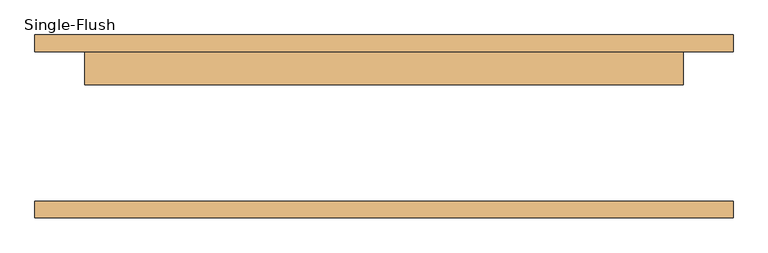
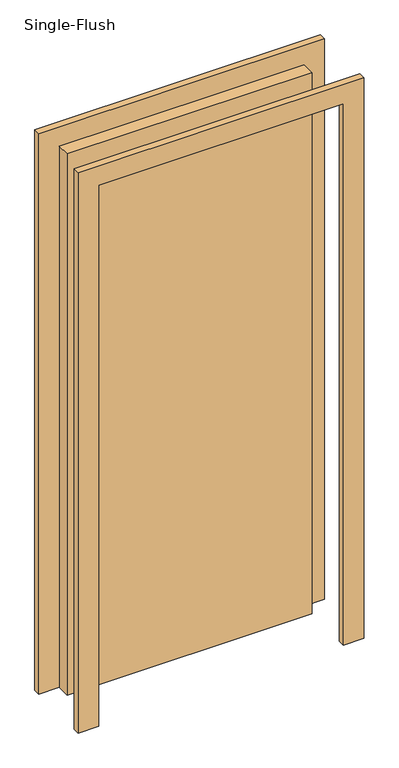
"""IFC4 building model written with IfcOpenShell, lengths in millimetres: door geometry, Single-Flush."""

from ifc_helpers import new_model, si_unit, frame, origin, origin_with_axes, place, context, project, spatial, polyline, outline, extrude, source, transform, mapped, element, save


def single_flush_0ca8825f(model_context):
    return source(origin(), model_context, "Body", "SweptSolid", [
        extrude(outline(polyline([(2209.8, -533.4), (0.0, -533.4), (0.0, -457.2), (2133.6, -457.2), (2133.6, 457.2), (0.0, 457.2), (0.0, 533.4), (2209.8, 533.4), (2209.8, -533.4)])), frame((0.0, 114.3, 0.0), z_axis=(0.0, 1.0, 0.0), x_axis=(0.0, 0.0, 1.0)), (0.0, 0.0, 1.0), 25.4),
        extrude(outline(polyline([(2209.8, 533.4), (2209.8, -533.4), (0.0, -533.4), (0.0, -457.2), (2133.6, -457.2), (2133.6, 457.2), (0.0, 457.2), (0.0, 533.4), (2209.8, 533.4)])), frame((0.0, -139.7, 0.0), z_axis=(0.0, 1.0, 0.0), x_axis=(0.0, 0.0, 1.0)), (0.0, 0.0, 1.0), 25.4),
        extrude(outline(polyline([(457.2, 63.5), (-457.2, 63.5), (-457.2, 114.3), (457.2, 114.3), (457.2, 63.5)])), origin_with_axes(), (0.0, 0.0, 1.0), 2133.6),
    ])


if __name__ == "__main__":
    model = new_model("IFC4")
    model_context = context("Model", 3, world=origin())
    ifc_project = project(units=[si_unit("LENGTHUNIT", "METRE", prefix="MILLI")], contexts=[model_context])
    site = spatial("IfcSite", under=ifc_project)
    building = spatial("IfcBuilding", under=site)
    placement = place(None, origin())
    single_flush_shape = single_flush_0ca8825f(model_context)
    element("IfcDoor", 1, ObjectType="Single-Flush", at=placement, inside=building, context=model_context, shape_type="MappedRepresentation", body=[
        mapped(single_flush_shape, transform((0.0, 0.0, 0.0), x_axis=(1.0, 0.0, 0.0), y_axis=(0.0, 1.0, 0.0), z_axis=(0.0, 0.0, 1.0))),
    ])
    save(model, "model.ifc")
